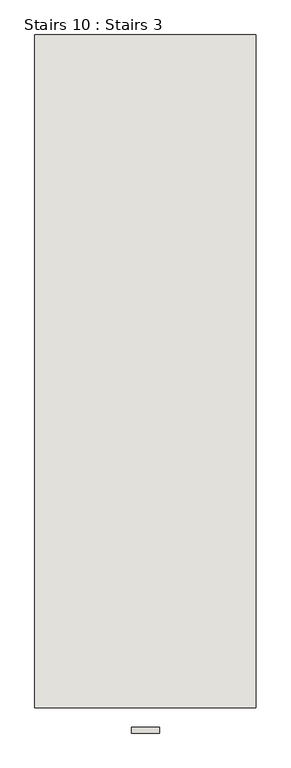
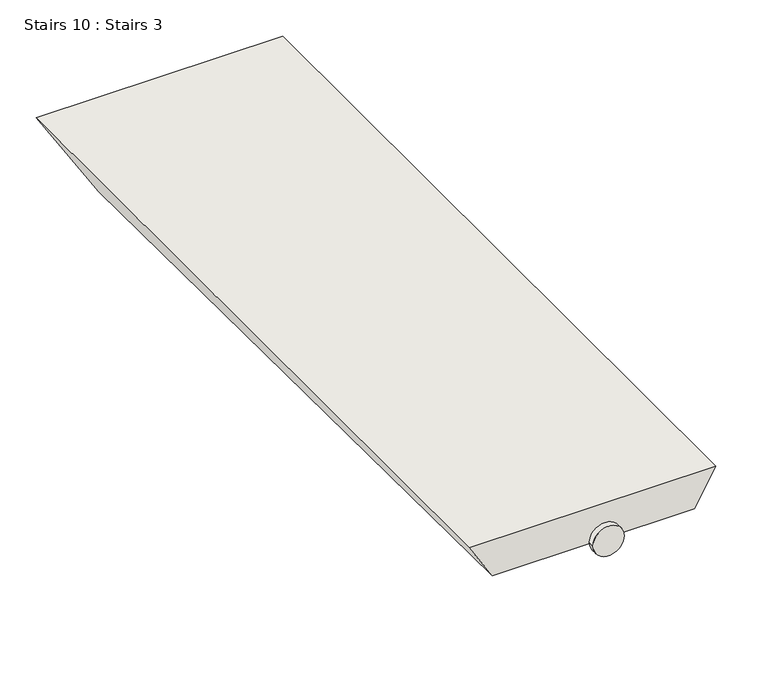
"""IFC4 building model written with IfcOpenShell, lengths in millimetres: wall geometry, Stairs 10 : Stairs 3."""

from ifc_helpers import new_model, si_unit, point, frame, frame_2d, origin, place, context, project, spatial, circle_curve, trimmed, segment, composite_curve, outline, extrude, faceted_brep, source, transform, mapped, element, save


def stairs_10_stairs_3_26e85cf6(model_context):
    return source(origin(), model_context, "Body", "SolidModel", [
        extrude(outline(composite_curve([segment(trimmed(circle_curve(frame_2d((69575.2021071, 100966.5348576)), 25.0), [point((69575.2021071, 100991.5348576))], [point((69575.2021071, 100941.5348576))], False, "CARTESIAN"), True, "CONTINUOUS"), segment(trimmed(circle_curve(frame_2d((69575.2021071, 100966.5348576)), 25.0), [point((69575.2021071, 100941.5348576))], [point((69575.2021071, 100991.5348576))], False, "CARTESIAN"), True, "CONTINUOUS")], self_intersect=False)), frame((0.0, -36520.9230841, 0.0), z_axis=(0.0, 1.0, 0.0), x_axis=(0.0, 0.0, 1.0)), (0.0, 0.0, 1.0), 10.0),
        faceted_brep([(101163.8818373, -36475.9230841, 69605.2021071), (100769.1878778, -36475.9230841, 69605.2021071), (100806.6800389, -36475.9230841, 69545.2021071), (101129.2408211, -36475.9230841, 69545.2021071), (100769.1878778, -35275.9230841, 69605.2021071), (101163.8818373, -35275.9230841, 69605.2021071), (101071.5057942, -35275.9230841, 69445.2021071), (100869.1669741, -35275.9230841, 69445.2021071)], [[[0, 1, 2, 3]], [[4, 5, 6, 7]], [[5, 4, 1, 0]], [[7, 6, 3, 2]], [[2, 1, 4, 7]], [[0, 3, 6, 5]]]),
    ])


if __name__ == "__main__":
    model = new_model("IFC4")
    model_context = context("Model", 3, world=origin())
    ifc_project = project(units=[si_unit("LENGTHUNIT", "METRE", prefix="MILLI")], contexts=[model_context])
    site = spatial("IfcSite", under=ifc_project)
    building = spatial("IfcBuilding", under=site)
    placement = place(None, origin())
    stairs_10_stairs_3_shape = stairs_10_stairs_3_26e85cf6(model_context)
    element("IfcWall", 1, ObjectType="Stairs 10 : Stairs 3", at=placement, inside=building, context=model_context, shape_type="MappedRepresentation", body=[
        mapped(stairs_10_stairs_3_shape, transform((0.0, 0.0, 0.0), x_axis=(1.0, 0.0, 0.0), y_axis=(0.0, 1.0, 0.0), z_axis=(0.0, 0.0, 1.0))),
    ])
    save(model, "model.ifc")
